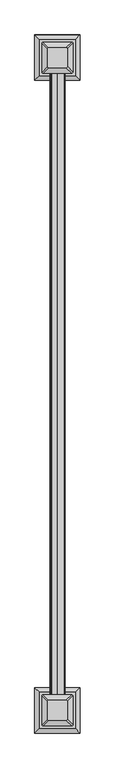
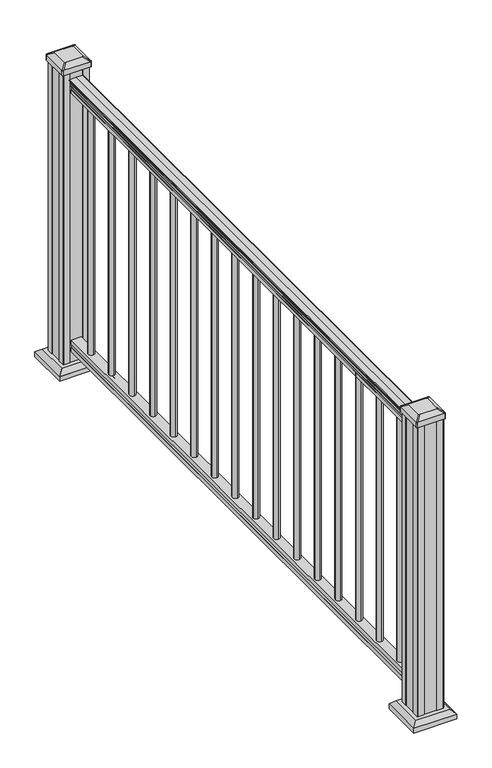
"""IFC4 building model written with IfcOpenShell, lengths in millimetres: railing geometry."""

from ifc_helpers import new_model, si_unit, point, frame, frame_2d, origin, origin_with_axes, place, context, project, spatial, polyline, circle_curve, trimmed, segment, composite_curve, outline, extrude, faceted_brep, source, transform, mapped, element, save
from ifc_brep_helpers import plane_surface, extruded_surface, advanced_brep


def railing_6631886a(model_context):
    return source(origin(), model_context, "Body", "SolidModel", [
        extrude(outline(composite_curve([segment(trimmed(circle_curve(frame_2d((938.4043297, -265.9572176)), 1.2869144), [point((938.4043297, -267.2441319))], [point((938.4043297, -264.6703032))], False, "CARTESIAN"), True, "CONTINUOUS"), segment(polyline([(938.4043297, -264.6703032), (927.747013, -264.6703032), (926.731013, -265.6863032), (914.4, -265.6863032), (914.4, -233.9363032), (926.8888283, -233.9363032), (927.9048283, -234.9523032), (938.4043297, -234.9523032)]), True, "CONTINUOUS"), segment(trimmed(circle_curve(frame_2d((938.4043297, -233.6653888)), 1.2869144), [point((938.4043297, -234.9523032))], [point((938.4043297, -232.3784745))], False, "CARTESIAN"), True, "CONTINUOUS"), segment(polyline([(938.4043297, -232.3784745), (940.292412, -232.3784745)]), True, "CONTINUOUS"), segment(trimmed(circle_curve(frame_2d((946.0506383, -238.6932277)), 8.545951), [point((940.292412, -232.3784745))], [point((941.8546695, -231.2482882))], False, "CARTESIAN"), True, "CONTINUOUS"), segment(trimmed(circle_curve(frame_2d((945.4636577, -238.2561648)), 7.882584), [point((941.8546695, -231.2482882))], [point((949.0726458, -231.2482882))], False, "CARTESIAN"), True, "CONTINUOUS"), segment(trimmed(circle_curve(frame_2d((951.3112527, -227.7428406)), 4.1592695), [point((949.0726458, -231.2482882))], [point((951.5060812, -231.8975446))], True, "CARTESIAN"), True, "CONTINUOUS"), segment(trimmed(circle_curve(frame_2d((951.2508864, -226.4555341)), 5.4479907), [point((951.5060812, -231.8975446))], [point((955.8362083, -229.3975446))], True, "CARTESIAN"), True, "CONTINUOUS"), segment(trimmed(circle_curve(frame_2d((955.833395, -227.6886925)), 1.7088543), [point((955.8362083, -229.3975446))], [point((957.5157972, -227.9882021))], True, "CARTESIAN"), True, "CONTINUOUS"), segment(trimmed(circle_curve(frame_2d((958.6205318, -229.3055926)), 1.7192895), [point((957.5157972, -227.9882021))], [point((958.6205318, -227.5863031))], False, "CARTESIAN"), True, "CONTINUOUS"), segment(polyline([(958.6205318, -227.5863031), (959.9608158, -227.5863032)]), True, "CONTINUOUS"), segment(trimmed(circle_curve(frame_2d((959.9608158, -229.1397504)), 1.5534472), [point((959.9608158, -227.5863032))], [point((961.514263, -229.1397504))], False, "CARTESIAN"), True, "CONTINUOUS"), segment(polyline([(961.514263, -229.1397504), (961.514263, -249.8113032), (961.514263, -270.482856)]), True, "CONTINUOUS"), segment(trimmed(circle_curve(frame_2d((959.9608158, -270.482856)), 1.5534472), [point((961.514263, -270.482856))], [point((959.9608158, -272.0363032))], False, "CARTESIAN"), True, "CONTINUOUS"), segment(polyline([(959.9608158, -272.0363032), (958.6205318, -272.0363032)]), True, "CONTINUOUS"), segment(trimmed(circle_curve(frame_2d((958.6205318, -270.3170138)), 1.7192895), [point((958.6205318, -272.0363032))], [point((957.5157972, -271.6344043))], False, "CARTESIAN"), True, "CONTINUOUS"), segment(trimmed(circle_curve(frame_2d((955.833395, -271.9339139)), 1.7088543), [point((957.5157972, -271.6344043))], [point((955.8362083, -270.2250618))], True, "CARTESIAN"), True, "CONTINUOUS"), segment(trimmed(circle_curve(frame_2d((951.2508864, -273.1670723)), 5.4479907), [point((955.8362083, -270.2250618))], [point((951.5060812, -267.7250618))], True, "CARTESIAN"), True, "CONTINUOUS"), segment(trimmed(circle_curve(frame_2d((951.3112527, -271.8797657)), 4.1592695), [point((951.5060812, -267.7250618))], [point((949.0726458, -268.3743182))], True, "CARTESIAN"), True, "CONTINUOUS"), segment(trimmed(circle_curve(frame_2d((945.4636577, -261.3664416)), 7.882584), [point((949.0726458, -268.3743182))], [point((941.8546695, -268.3743182))], False, "CARTESIAN"), True, "CONTINUOUS"), segment(trimmed(circle_curve(frame_2d((946.0506383, -260.9293786)), 8.545951), [point((941.8546695, -268.3743182))], [point((940.292412, -267.2441319))], False, "CARTESIAN"), True, "CONTINUOUS"), segment(polyline([(940.292412, -267.2441319), (938.4043297, -267.2441319)]), True, "CONTINUOUS")], self_intersect=False)), frame((0.0, -16296.0352933, 0.0), z_axis=(0.0, 1.0, 0.0), x_axis=(0.0, 0.0, 1.0)), (0.0, 0.0, 1.0), 1828.8),
        extrude(outline(polyline([(76.0541976, -265.7237901), (63.5, -265.7237901), (63.5, -233.9737901), (76.0375508, -233.9737901), (77.3858283, -234.9897901), (87.6975248, -234.9897901), (89.0458024, -233.9737901), (101.5958781, -233.9737901), (101.5958781, -265.7237901), (89.0624492, -265.7237901), (87.7141717, -264.7077901), (77.3546183, -264.7077901), (76.0541976, -265.7237901)])), frame((0.0, -16296.0352933, 0.0), z_axis=(0.0, 1.0, 0.0), x_axis=(0.0, 0.0, 1.0)), (0.0, 0.0, 1.0), 1828.8),
        extrude(outline(composite_curve([segment(trimmed(circle_curve(frame_2d((-249.8113032, -14548.1977933)), 9.525), [point((-259.3363032, -14548.1977933))], [point((-249.8113032, -14538.6727933))], False, "CARTESIAN"), True, "CONTINUOUS"), segment(trimmed(circle_curve(frame_2d((-249.8113032, -14548.1977933)), 9.525), [point((-249.8113032, -14538.6727933))], [point((-240.2863032, -14548.1977933))], False, "CARTESIAN"), True, "CONTINUOUS"), segment(trimmed(circle_curve(frame_2d((-249.8113032, -14548.1977933)), 9.525), [point((-240.2863032, -14548.1977933))], [point((-249.8113032, -14557.7227933))], False, "CARTESIAN"), True, "CONTINUOUS"), segment(trimmed(circle_curve(frame_2d((-249.8113032, -14548.1977933)), 9.525), [point((-249.8113032, -14557.7227933))], [point((-259.3363032, -14548.1977933))], False, "CARTESIAN"), True, "CONTINUOUS")], self_intersect=False)), frame((0.0, 0.0, 101.5958781), z_axis=(0.0, 0.0, 1.0), x_axis=(1.0, 0.0, 0.0)), (0.0, 0.0, 1.0), 812.8041219),
        extrude(outline(composite_curve([segment(trimmed(circle_curve(frame_2d((-249.8113032, -14659.3227933)), 9.525), [point((-259.3363032, -14659.3227933))], [point((-249.8113032, -14649.7977933))], False, "CARTESIAN"), True, "CONTINUOUS"), segment(trimmed(circle_curve(frame_2d((-249.8113032, -14659.3227933)), 9.525), [point((-249.8113032, -14649.7977933))], [point((-240.2863032, -14659.3227933))], False, "CARTESIAN"), True, "CONTINUOUS"), segment(trimmed(circle_curve(frame_2d((-249.8113032, -14659.3227933)), 9.525), [point((-240.2863032, -14659.3227933))], [point((-249.8113032, -14668.8477933))], False, "CARTESIAN"), True, "CONTINUOUS"), segment(trimmed(circle_curve(frame_2d((-249.8113032, -14659.3227933)), 9.525), [point((-249.8113032, -14668.8477933))], [point((-259.3363032, -14659.3227933))], False, "CARTESIAN"), True, "CONTINUOUS")], self_intersect=False)), frame((0.0, 0.0, 101.5958781), z_axis=(0.0, 0.0, 1.0), x_axis=(1.0, 0.0, 0.0)), (0.0, 0.0, 1.0), 812.8041219),
        extrude(outline(composite_curve([segment(trimmed(circle_curve(frame_2d((-249.8113032, -14770.4477933)), 9.525), [point((-259.3363032, -14770.4477933))], [point((-249.8113032, -14760.9227933))], False, "CARTESIAN"), True, "CONTINUOUS"), segment(trimmed(circle_curve(frame_2d((-249.8113032, -14770.4477933)), 9.525), [point((-249.8113032, -14760.9227933))], [point((-240.2863032, -14770.4477933))], False, "CARTESIAN"), True, "CONTINUOUS"), segment(trimmed(circle_curve(frame_2d((-249.8113032, -14770.4477933)), 9.525), [point((-240.2863032, -14770.4477933))], [point((-249.8113032, -14779.9727933))], False, "CARTESIAN"), True, "CONTINUOUS"), segment(trimmed(circle_curve(frame_2d((-249.8113032, -14770.4477933)), 9.525), [point((-249.8113032, -14779.9727933))], [point((-259.3363032, -14770.4477933))], False, "CARTESIAN"), True, "CONTINUOUS")], self_intersect=False)), frame((0.0, 0.0, 101.5958781), z_axis=(0.0, 0.0, 1.0), x_axis=(1.0, 0.0, 0.0)), (0.0, 0.0, 1.0), 812.8041219),
        extrude(outline(composite_curve([segment(trimmed(circle_curve(frame_2d((-249.8113032, -14881.5727933)), 9.525), [point((-259.3363032, -14881.5727933))], [point((-249.8113032, -14872.0477933))], False, "CARTESIAN"), True, "CONTINUOUS"), segment(trimmed(circle_curve(frame_2d((-249.8113032, -14881.5727933)), 9.525), [point((-249.8113032, -14872.0477933))], [point((-240.2863032, -14881.5727933))], False, "CARTESIAN"), True, "CONTINUOUS"), segment(trimmed(circle_curve(frame_2d((-249.8113032, -14881.5727933)), 9.525), [point((-240.2863032, -14881.5727933))], [point((-249.8113032, -14891.0977933))], False, "CARTESIAN"), True, "CONTINUOUS"), segment(trimmed(circle_curve(frame_2d((-249.8113032, -14881.5727933)), 9.525), [point((-249.8113032, -14891.0977933))], [point((-259.3363032, -14881.5727933))], False, "CARTESIAN"), True, "CONTINUOUS")], self_intersect=False)), frame((0.0, 0.0, 101.5958781), z_axis=(0.0, 0.0, 1.0), x_axis=(1.0, 0.0, 0.0)), (0.0, 0.0, 1.0), 812.8041219),
        extrude(outline(composite_curve([segment(trimmed(circle_curve(frame_2d((-249.8113032, -14992.6977933)), 9.525), [point((-259.3363032, -14992.6977933))], [point((-249.8113032, -14983.1727933))], False, "CARTESIAN"), True, "CONTINUOUS"), segment(trimmed(circle_curve(frame_2d((-249.8113032, -14992.6977933)), 9.525), [point((-249.8113032, -14983.1727933))], [point((-240.2863032, -14992.6977933))], False, "CARTESIAN"), True, "CONTINUOUS"), segment(trimmed(circle_curve(frame_2d((-249.8113032, -14992.6977933)), 9.525), [point((-240.2863032, -14992.6977933))], [point((-249.8113032, -15002.2227933))], False, "CARTESIAN"), True, "CONTINUOUS"), segment(trimmed(circle_curve(frame_2d((-249.8113032, -14992.6977933)), 9.525), [point((-249.8113032, -15002.2227933))], [point((-259.3363032, -14992.6977933))], False, "CARTESIAN"), True, "CONTINUOUS")], self_intersect=False)), frame((0.0, 0.0, 101.5958781), z_axis=(0.0, 0.0, 1.0), x_axis=(1.0, 0.0, 0.0)), (0.0, 0.0, 1.0), 812.8041219),
        extrude(outline(composite_curve([segment(trimmed(circle_curve(frame_2d((-249.8113032, -15103.8227933)), 9.525), [point((-259.3363032, -15103.8227933))], [point((-249.8113032, -15094.2977933))], False, "CARTESIAN"), True, "CONTINUOUS"), segment(trimmed(circle_curve(frame_2d((-249.8113032, -15103.8227933)), 9.525), [point((-249.8113032, -15094.2977933))], [point((-240.2863032, -15103.8227933))], False, "CARTESIAN"), True, "CONTINUOUS"), segment(trimmed(circle_curve(frame_2d((-249.8113032, -15103.8227933)), 9.525), [point((-240.2863032, -15103.8227933))], [point((-249.8113032, -15113.3477933))], False, "CARTESIAN"), True, "CONTINUOUS"), segment(trimmed(circle_curve(frame_2d((-249.8113032, -15103.8227933)), 9.525), [point((-249.8113032, -15113.3477933))], [point((-259.3363032, -15103.8227933))], False, "CARTESIAN"), True, "CONTINUOUS")], self_intersect=False)), frame((0.0, 0.0, 101.5958781), z_axis=(0.0, 0.0, 1.0), x_axis=(1.0, 0.0, 0.0)), (0.0, 0.0, 1.0), 812.8041219),
        extrude(outline(composite_curve([segment(trimmed(circle_curve(frame_2d((-249.8113032, -15214.9477933)), 9.525), [point((-259.3363032, -15214.9477933))], [point((-249.8113032, -15205.4227933))], False, "CARTESIAN"), True, "CONTINUOUS"), segment(trimmed(circle_curve(frame_2d((-249.8113032, -15214.9477933)), 9.525), [point((-249.8113032, -15205.4227933))], [point((-240.2863032, -15214.9477933))], False, "CARTESIAN"), True, "CONTINUOUS"), segment(trimmed(circle_curve(frame_2d((-249.8113032, -15214.9477933)), 9.525), [point((-240.2863032, -15214.9477933))], [point((-249.8113032, -15224.4727933))], False, "CARTESIAN"), True, "CONTINUOUS"), segment(trimmed(circle_curve(frame_2d((-249.8113032, -15214.9477933)), 9.525), [point((-249.8113032, -15224.4727933))], [point((-259.3363032, -15214.9477933))], False, "CARTESIAN"), True, "CONTINUOUS")], self_intersect=False)), frame((0.0, 0.0, 101.5958781), z_axis=(0.0, 0.0, 1.0), x_axis=(1.0, 0.0, 0.0)), (0.0, 0.0, 1.0), 812.8041219),
        extrude(outline(composite_curve([segment(trimmed(circle_curve(frame_2d((-249.8113032, -15326.0727933)), 9.525), [point((-259.3363032, -15326.0727933))], [point((-249.8113032, -15316.5477933))], False, "CARTESIAN"), True, "CONTINUOUS"), segment(trimmed(circle_curve(frame_2d((-249.8113032, -15326.0727933)), 9.525), [point((-249.8113032, -15316.5477933))], [point((-240.2863032, -15326.0727933))], False, "CARTESIAN"), True, "CONTINUOUS"), segment(trimmed(circle_curve(frame_2d((-249.8113032, -15326.0727933)), 9.525), [point((-240.2863032, -15326.0727933))], [point((-249.8113032, -15335.5977933))], False, "CARTESIAN"), True, "CONTINUOUS"), segment(trimmed(circle_curve(frame_2d((-249.8113032, -15326.0727933)), 9.525), [point((-249.8113032, -15335.5977933))], [point((-259.3363032, -15326.0727933))], False, "CARTESIAN"), True, "CONTINUOUS")], self_intersect=False)), frame((0.0, 0.0, 101.5958781), z_axis=(0.0, 0.0, 1.0), x_axis=(1.0, 0.0, 0.0)), (0.0, 0.0, 1.0), 812.8041219),
        extrude(outline(composite_curve([segment(trimmed(circle_curve(frame_2d((-249.8113032, -15437.1977933)), 9.525), [point((-259.3363032, -15437.1977933))], [point((-249.8113032, -15427.6727933))], False, "CARTESIAN"), True, "CONTINUOUS"), segment(trimmed(circle_curve(frame_2d((-249.8113032, -15437.1977933)), 9.525), [point((-249.8113032, -15427.6727933))], [point((-240.2863032, -15437.1977933))], False, "CARTESIAN"), True, "CONTINUOUS"), segment(trimmed(circle_curve(frame_2d((-249.8113032, -15437.1977933)), 9.525), [point((-240.2863032, -15437.1977933))], [point((-249.8113032, -15446.7227933))], False, "CARTESIAN"), True, "CONTINUOUS"), segment(trimmed(circle_curve(frame_2d((-249.8113032, -15437.1977933)), 9.525), [point((-249.8113032, -15446.7227933))], [point((-259.3363032, -15437.1977933))], False, "CARTESIAN"), True, "CONTINUOUS")], self_intersect=False)), frame((0.0, 0.0, 101.5958781), z_axis=(0.0, 0.0, 1.0), x_axis=(1.0, 0.0, 0.0)), (0.0, 0.0, 1.0), 812.8041219),
        extrude(outline(composite_curve([segment(trimmed(circle_curve(frame_2d((-249.8113032, -15548.3227933)), 9.525), [point((-259.3363032, -15548.3227933))], [point((-249.8113032, -15538.7977933))], False, "CARTESIAN"), True, "CONTINUOUS"), segment(trimmed(circle_curve(frame_2d((-249.8113032, -15548.3227933)), 9.525), [point((-249.8113032, -15538.7977933))], [point((-240.2863032, -15548.3227933))], False, "CARTESIAN"), True, "CONTINUOUS"), segment(trimmed(circle_curve(frame_2d((-249.8113032, -15548.3227933)), 9.525), [point((-240.2863032, -15548.3227933))], [point((-249.8113032, -15557.8477933))], False, "CARTESIAN"), True, "CONTINUOUS"), segment(trimmed(circle_curve(frame_2d((-249.8113032, -15548.3227933)), 9.525), [point((-249.8113032, -15557.8477933))], [point((-259.3363032, -15548.3227933))], False, "CARTESIAN"), True, "CONTINUOUS")], self_intersect=False)), frame((0.0, 0.0, 101.5958781), z_axis=(0.0, 0.0, 1.0), x_axis=(1.0, 0.0, 0.0)), (0.0, 0.0, 1.0), 812.8041219),
        extrude(outline(composite_curve([segment(trimmed(circle_curve(frame_2d((-249.8113032, -15659.4477933)), 9.525), [point((-259.3363032, -15659.4477933))], [point((-249.8113032, -15649.9227933))], False, "CARTESIAN"), True, "CONTINUOUS"), segment(trimmed(circle_curve(frame_2d((-249.8113032, -15659.4477933)), 9.525), [point((-249.8113032, -15649.9227933))], [point((-240.2863032, -15659.4477933))], False, "CARTESIAN"), True, "CONTINUOUS"), segment(trimmed(circle_curve(frame_2d((-249.8113032, -15659.4477933)), 9.525), [point((-240.2863032, -15659.4477933))], [point((-249.8113032, -15668.9727933))], False, "CARTESIAN"), True, "CONTINUOUS"), segment(trimmed(circle_curve(frame_2d((-249.8113032, -15659.4477933)), 9.525), [point((-249.8113032, -15668.9727933))], [point((-259.3363032, -15659.4477933))], False, "CARTESIAN"), True, "CONTINUOUS")], self_intersect=False)), frame((0.0, 0.0, 101.5958781), z_axis=(0.0, 0.0, 1.0), x_axis=(1.0, 0.0, 0.0)), (0.0, 0.0, 1.0), 812.8041219),
        extrude(outline(composite_curve([segment(trimmed(circle_curve(frame_2d((-249.8113032, -15770.5727933)), 9.525), [point((-259.3363032, -15770.5727933))], [point((-249.8113032, -15761.0477933))], False, "CARTESIAN"), True, "CONTINUOUS"), segment(trimmed(circle_curve(frame_2d((-249.8113032, -15770.5727933)), 9.525), [point((-249.8113032, -15761.0477933))], [point((-240.2863032, -15770.5727933))], False, "CARTESIAN"), True, "CONTINUOUS"), segment(trimmed(circle_curve(frame_2d((-249.8113032, -15770.5727933)), 9.525), [point((-240.2863032, -15770.5727933))], [point((-249.8113032, -15780.0977933))], False, "CARTESIAN"), True, "CONTINUOUS"), segment(trimmed(circle_curve(frame_2d((-249.8113032, -15770.5727933)), 9.525), [point((-249.8113032, -15780.0977933))], [point((-259.3363032, -15770.5727933))], False, "CARTESIAN"), True, "CONTINUOUS")], self_intersect=False)), frame((0.0, 0.0, 101.5958781), z_axis=(0.0, 0.0, 1.0), x_axis=(1.0, 0.0, 0.0)), (0.0, 0.0, 1.0), 812.8041219),
        extrude(outline(composite_curve([segment(trimmed(circle_curve(frame_2d((-249.8113032, -15881.6977933)), 9.525), [point((-259.3363032, -15881.6977933))], [point((-249.8113032, -15872.1727933))], False, "CARTESIAN"), True, "CONTINUOUS"), segment(trimmed(circle_curve(frame_2d((-249.8113032, -15881.6977933)), 9.525), [point((-249.8113032, -15872.1727933))], [point((-240.2863032, -15881.6977933))], False, "CARTESIAN"), True, "CONTINUOUS"), segment(trimmed(circle_curve(frame_2d((-249.8113032, -15881.6977933)), 9.525), [point((-240.2863032, -15881.6977933))], [point((-249.8113032, -15891.2227933))], False, "CARTESIAN"), True, "CONTINUOUS"), segment(trimmed(circle_curve(frame_2d((-249.8113032, -15881.6977933)), 9.525), [point((-249.8113032, -15891.2227933))], [point((-259.3363032, -15881.6977933))], False, "CARTESIAN"), True, "CONTINUOUS")], self_intersect=False)), frame((0.0, 0.0, 101.5958781), z_axis=(0.0, 0.0, 1.0), x_axis=(1.0, 0.0, 0.0)), (0.0, 0.0, 1.0), 812.8041219),
        extrude(outline(composite_curve([segment(trimmed(circle_curve(frame_2d((-249.8113032, -15992.8227933)), 9.525), [point((-259.3363032, -15992.8227933))], [point((-249.8113032, -15983.2977933))], False, "CARTESIAN"), True, "CONTINUOUS"), segment(trimmed(circle_curve(frame_2d((-249.8113032, -15992.8227933)), 9.525), [point((-249.8113032, -15983.2977933))], [point((-240.2863032, -15992.8227933))], False, "CARTESIAN"), True, "CONTINUOUS"), segment(trimmed(circle_curve(frame_2d((-249.8113032, -15992.8227933)), 9.525), [point((-240.2863032, -15992.8227933))], [point((-249.8113032, -16002.3477933))], False, "CARTESIAN"), True, "CONTINUOUS"), segment(trimmed(circle_curve(frame_2d((-249.8113032, -15992.8227933)), 9.525), [point((-249.8113032, -16002.3477933))], [point((-259.3363032, -15992.8227933))], False, "CARTESIAN"), True, "CONTINUOUS")], self_intersect=False)), frame((0.0, 0.0, 101.5958781), z_axis=(0.0, 0.0, 1.0), x_axis=(1.0, 0.0, 0.0)), (0.0, 0.0, 1.0), 812.8041219),
        extrude(outline(composite_curve([segment(trimmed(circle_curve(frame_2d((-249.8113032, -16103.9477933)), 9.525), [point((-259.3363032, -16103.9477933))], [point((-249.8113032, -16094.4227933))], False, "CARTESIAN"), True, "CONTINUOUS"), segment(trimmed(circle_curve(frame_2d((-249.8113032, -16103.9477933)), 9.525), [point((-249.8113032, -16094.4227933))], [point((-240.2863032, -16103.9477933))], False, "CARTESIAN"), True, "CONTINUOUS"), segment(trimmed(circle_curve(frame_2d((-249.8113032, -16103.9477933)), 9.525), [point((-240.2863032, -16103.9477933))], [point((-249.8113032, -16113.4727933))], False, "CARTESIAN"), True, "CONTINUOUS"), segment(trimmed(circle_curve(frame_2d((-249.8113032, -16103.9477933)), 9.525), [point((-249.8113032, -16113.4727933))], [point((-259.3363032, -16103.9477933))], False, "CARTESIAN"), True, "CONTINUOUS")], self_intersect=False)), frame((0.0, 0.0, 101.5958781), z_axis=(0.0, 0.0, 1.0), x_axis=(1.0, 0.0, 0.0)), (0.0, 0.0, 1.0), 812.8041219),
        extrude(outline(composite_curve([segment(trimmed(circle_curve(frame_2d((-249.8113032, -16215.0727933)), 9.525), [point((-259.3363032, -16215.0727933))], [point((-249.8113032, -16205.5477933))], False, "CARTESIAN"), True, "CONTINUOUS"), segment(trimmed(circle_curve(frame_2d((-249.8113032, -16215.0727933)), 9.525), [point((-249.8113032, -16205.5477933))], [point((-240.2863032, -16215.0727933))], False, "CARTESIAN"), True, "CONTINUOUS"), segment(trimmed(circle_curve(frame_2d((-249.8113032, -16215.0727933)), 9.525), [point((-240.2863032, -16215.0727933))], [point((-249.8113032, -16224.5977933))], False, "CARTESIAN"), True, "CONTINUOUS"), segment(trimmed(circle_curve(frame_2d((-249.8113032, -16215.0727933)), 9.525), [point((-249.8113032, -16224.5977933))], [point((-259.3363032, -16215.0727933))], False, "CARTESIAN"), True, "CONTINUOUS")], self_intersect=False)), frame((0.0, 0.0, 101.5958781), z_axis=(0.0, 0.0, 1.0), x_axis=(1.0, 0.0, 0.0)), (0.0, 0.0, 1.0), 812.8041219),
        faceted_brep([(-302.3972407, -14478.5462308, 28.575), (-197.2253657, -14478.5462308, 28.575), (-197.2253657, -14373.3743558, 28.575), (-302.3972407, -14373.3743558, 28.575), (-316.4366938, -14492.5856839, 15.24), (-316.4366938, -14359.3349026, 15.24), (-183.1859126, -14359.3349026, 15.24), (-183.1859126, -14492.5856839, 15.24)], [[[0, 1, 2, 3]], [[4, 5, 6, 7]], [[4, 7, 1, 0]], [[7, 6, 2, 1]], [[6, 5, 3, 2]], [[5, 4, 0, 3]]]),
        extrude(outline(polyline([(-316.4366938, -14492.5856839), (-316.4366938, -14359.3349026), (-183.1859126, -14359.3349026), (-183.1859126, -14492.5856839), (-316.4366938, -14492.5856839)])), origin_with_axes(), (0.0, 0.0, 1.0), 15.24),
        advanced_brep(
        [(-224.0144282, -14454.9321683, 1012.825), (-220.8394282, -14451.7571683, 1012.825), (-220.8394282, -14400.1634183, 1012.825), (-224.0144282, -14396.9884183, 1012.825), (-275.6081782, -14396.9884183, 1012.825), (-278.7831782, -14400.1634183, 1012.825), (-278.7831782, -14451.7571683, 1012.825), (-275.6081782, -14454.9321683, 1012.825), (-207.7425532, -14471.2040433, 1001.522), (-291.8800532, -14471.2040433, 1001.522), (-295.0550532, -14468.0290433, 1001.522), (-295.0550532, -14383.8915433, 1001.522), (-291.8800532, -14380.7165433, 1001.522), (-207.7425532, -14380.7165433, 1001.522), (-204.5675532, -14383.8915433, 1001.522), (-204.5675532, -14468.0290433, 1001.522)],
        [
            (0, 1, circle_curve(frame((-224.0144282, -14451.7571683, 1012.825), z_axis=(0.0, 0.0, 1.0), x_axis=(0.0, 1.0, 0.0)), 3.175)),
            (1, 2),
            (2, 3, circle_curve(frame((-224.0144282, -14400.1634183, 1012.825), z_axis=(0.0, 0.0, 1.0), x_axis=(0.0, 1.0, 0.0)), 3.175)),
            (3, 4),
            (4, 5, circle_curve(frame((-275.6081782, -14400.1634183, 1012.825), z_axis=(0.0, 0.0, 1.0), x_axis=(0.0, 1.0, 0.0)), 3.175)),
            (5, 6),
            (6, 7, circle_curve(frame((-275.6081782, -14451.7571683, 1012.825), z_axis=(0.0, 0.0, 1.0), x_axis=(0.0, 1.0, 0.0)), 3.175)),
            (7, 0),
            (8, 9),
            (9, 10, circle_curve(frame((-291.8800532, -14468.0290433, 1001.522), z_axis=(0.0, 0.0, -1.0), x_axis=(0.0, 1.0, 0.0)), 3.175)),
            (10, 11),
            (11, 12, circle_curve(frame((-291.8800532, -14383.8915433, 1001.522), z_axis=(0.0, 0.0, -1.0), x_axis=(0.0, 1.0, 0.0)), 3.175)),
            (12, 13),
            (13, 14, circle_curve(frame((-207.7425532, -14383.8915433, 1001.522), z_axis=(0.0, 0.0, -1.0), x_axis=(0.0, 1.0, 0.0)), 3.175)),
            (14, 15),
            (15, 8, circle_curve(frame((-207.7425532, -14468.0290433, 1001.522), z_axis=(0.0, 0.0, -1.0), x_axis=(0.0, 1.0, 0.0)), 3.175)),
            (15, 1),
            (0, 8),
            (14, 2),
            (13, 3),
            (12, 4),
            (11, 5),
            (10, 6),
            (9, 7),
        ],
        [
            plane_surface(frame((-249.8113032, -14425.9602933, 1012.825), z_axis=(0.0, 0.0, 1.0), x_axis=(1.0, 0.0, 0.0))),
            plane_surface(frame((-249.8113032, -14425.9602933, 1001.522), z_axis=(0.0, 0.0, -1.0), x_axis=(1.0, 0.0, 0.0))),
            extruded_surface(trimmed(circle_curve(frame((-207.7425532, -14468.0290433, 1001.522), z_axis=(0.0, 0.0, 1.0), x_axis=(0.0, 1.0, 0.0)), 3.175), [point((-207.7425532, -14471.2040433, 1001.522))], [point((-204.5675532, -14468.0290433, 1001.522))], True, "CARTESIAN"), (-16.271874999999994, 16.271874999998545, 11.302999999999997), 25.637972638865236),
            plane_surface(frame((-204.5675532, -14425.9602933, 1001.522), z_axis=(0.5705009161540779, 0.0, 0.8212969649690408), x_axis=(0.0, 1.0, 0.0))),
            extruded_surface(trimmed(circle_curve(frame((-207.7425532, -14383.8915433, 1001.522), z_axis=(0.0, 0.0, 1.0), x_axis=(0.0, 1.0, 0.0)), 3.175), [point((-204.5675532, -14383.8915433, 1001.522))], [point((-207.7425532, -14380.7165433, 1001.522))], True, "CARTESIAN"), (-16.271874999999994, -16.271875000000364, 11.302999999999997), 25.637972638866387),
            plane_surface(frame((-249.8113032, -14380.7165433, 1001.522), z_axis=(0.0, 0.5705009161540291, 0.8212969649690747), x_axis=(-1.0, 0.0, 0.0))),
            extruded_surface(trimmed(circle_curve(frame((-291.8800532, -14383.8915433, 1001.522), z_axis=(0.0, 0.0, 1.0), x_axis=(0.0, 1.0, 0.0)), 3.175), [point((-291.8800532, -14380.7165433, 1001.522))], [point((-295.0550532, -14383.8915433, 1001.522))], True, "CARTESIAN"), (16.271875000000023, -16.271875000000364, 11.302999999999997), 25.637972638866405),
            plane_surface(frame((-295.0550532, -14425.9602933, 1001.522), z_axis=(-0.5705009161540141, 0.0, 0.8212969649690851), x_axis=(0.0, -1.0, 0.0))),
            extruded_surface(trimmed(circle_curve(frame((-291.8800532, -14468.0290433, 1001.522), z_axis=(0.0, 0.0, 1.0), x_axis=(0.0, 1.0, 0.0)), 3.175), [point((-295.0550532, -14468.0290433, 1001.522))], [point((-291.8800532, -14471.2040433, 1001.522))], True, "CARTESIAN"), (16.271875000000023, 16.271874999998545, 11.302999999999997), 25.637972638865254),
            plane_surface(frame((-249.8113032, -14471.2040433, 1001.522), z_axis=(0.0, -0.570500916154034, 0.8212969649690713), x_axis=(1.0, 0.0, 0.0))),
        ],
        [
            (0, [[1, 2, 3, 4, 5, 6, 7, 8]]),
            (1, [[9, 10, 11, 12, 13, 14, 15, 16]]),
            (2, [[-16, 17, -1, 18]]),
            (3, [[-15, 19, -2, -17]]),
            (4, [[-14, 20, -3, -19]]),
            (5, [[-13, 21, -4, -20]]),
            (6, [[-12, 22, -5, -21]]),
            (7, [[-11, 23, -6, -22]]),
            (8, [[-10, 24, -7, -23]]),
            (9, [[-9, -18, -8, -24]]),
        ],
    ),
        extrude(outline(composite_curve([segment(polyline([(-207.7425532, -14471.2040433), (-291.8800532, -14471.2040433)]), True, "CONTINUOUS"), segment(trimmed(circle_curve(frame_2d((-291.8800532, -14468.0290433)), 3.175), [point((-291.8800532, -14471.2040433))], [point((-295.0550532, -14468.0290433))], False, "CARTESIAN"), True, "CONTINUOUS"), segment(polyline([(-295.0550532, -14468.0290433), (-295.0550532, -14383.8915433)]), True, "CONTINUOUS"), segment(trimmed(circle_curve(frame_2d((-291.8800532, -14383.8915433)), 3.175), [point((-295.0550532, -14383.8915433))], [point((-291.8800532, -14380.7165433))], False, "CARTESIAN"), True, "CONTINUOUS"), segment(polyline([(-291.8800532, -14380.7165433), (-207.7425532, -14380.7165433)]), True, "CONTINUOUS"), segment(trimmed(circle_curve(frame_2d((-207.7425532, -14383.8915433)), 3.175), [point((-207.7425532, -14380.7165433))], [point((-204.5675532, -14383.8915433))], False, "CARTESIAN"), True, "CONTINUOUS"), segment(polyline([(-204.5675532, -14383.8915433), (-204.5675532, -14468.0290433)]), True, "CONTINUOUS"), segment(trimmed(circle_curve(frame_2d((-207.7425532, -14468.0290433)), 3.175), [point((-204.5675532, -14468.0290433))], [point((-207.7425532, -14471.2040433))], False, "CARTESIAN"), True, "CONTINUOUS")], self_intersect=False)), frame((0.0, 0.0, 984.25), z_axis=(0.0, 0.0, 1.0), x_axis=(1.0, 0.0, 0.0)), (0.0, 0.0, 1.0), 17.272),
        extrude(outline(polyline([(-210.1238032, -14467.2352933), (-229.7453032, -14467.2352933), (-230.5073032, -14465.6477933), (-269.1153032, -14465.6477933), (-269.8773032, -14467.2352933), (-289.4988032, -14467.2352933), (-291.0863032, -14465.6477933), (-291.0863032, -14446.0262933), (-289.4988032, -14445.2642933), (-289.4988032, -14406.6562933), (-291.0863032, -14405.8942933), (-291.0863032, -14386.2727933), (-289.4988032, -14384.6852933), (-269.8773032, -14384.6852933), (-269.1153032, -14386.2727933), (-230.5073032, -14386.2727933), (-229.7453032, -14384.6852933), (-210.1238032, -14384.6852933), (-208.5363032, -14386.2727933), (-208.5363032, -14405.8942933), (-210.1238032, -14406.6562933), (-210.1238032, -14445.2642933), (-208.5363032, -14446.0262933), (-208.5363032, -14465.6477933), (-210.1238032, -14467.2352933)])), origin_with_axes(), (0.0, 0.0, 1.0), 984.25),
        faceted_brep([(-302.3972407, -16389.8962308, 28.575), (-197.2253657, -16389.8962308, 28.575), (-197.2253657, -16284.7243558, 28.575), (-302.3972407, -16284.7243558, 28.575), (-316.4366938, -16403.9356839, 15.24), (-316.4366938, -16270.6849026, 15.24), (-183.1859126, -16270.6849026, 15.24), (-183.1859126, -16403.9356839, 15.24)], [[[0, 1, 2, 3]], [[4, 5, 6, 7]], [[4, 7, 1, 0]], [[7, 6, 2, 1]], [[6, 5, 3, 2]], [[5, 4, 0, 3]]]),
        extrude(outline(polyline([(-316.4366938, -16403.9356839), (-316.4366938, -16270.6849026), (-183.1859126, -16270.6849026), (-183.1859126, -16403.9356839), (-316.4366938, -16403.9356839)])), origin_with_axes(), (0.0, 0.0, 1.0), 15.24),
        advanced_brep(
        [(-224.0144282, -16366.2821683, 1012.825), (-220.8394282, -16363.1071683, 1012.825), (-220.8394282, -16311.5134183, 1012.825), (-224.0144282, -16308.3384183, 1012.825), (-275.6081782, -16308.3384183, 1012.825), (-278.7831782, -16311.5134183, 1012.825), (-278.7831782, -16363.1071683, 1012.825), (-275.6081782, -16366.2821683, 1012.825), (-207.7425532, -16382.5540433, 1001.522), (-291.8800532, -16382.5540433, 1001.522), (-295.0550532, -16379.3790433, 1001.522), (-295.0550532, -16295.2415433, 1001.522), (-291.8800532, -16292.0665433, 1001.522), (-207.7425532, -16292.0665433, 1001.522), (-204.5675532, -16295.2415433, 1001.522), (-204.5675532, -16379.3790433, 1001.522)],
        [
            (0, 1, circle_curve(frame((-224.0144282, -16363.1071683, 1012.825), z_axis=(0.0, 0.0, 1.0), x_axis=(0.0, 1.0, 0.0)), 3.175)),
            (1, 2),
            (2, 3, circle_curve(frame((-224.0144282, -16311.5134183, 1012.825), z_axis=(0.0, 0.0, 1.0), x_axis=(0.0, 1.0, 0.0)), 3.175)),
            (3, 4),
            (4, 5, circle_curve(frame((-275.6081782, -16311.5134183, 1012.825), z_axis=(0.0, 0.0, 1.0), x_axis=(0.0, 1.0, 0.0)), 3.175)),
            (5, 6),
            (6, 7, circle_curve(frame((-275.6081782, -16363.1071683, 1012.825), z_axis=(0.0, 0.0, 1.0), x_axis=(0.0, 1.0, 0.0)), 3.175)),
            (7, 0),
            (8, 9),
            (9, 10, circle_curve(frame((-291.8800532, -16379.3790433, 1001.522), z_axis=(0.0, 0.0, -1.0), x_axis=(0.0, 1.0, 0.0)), 3.175)),
            (10, 11),
            (11, 12, circle_curve(frame((-291.8800532, -16295.2415433, 1001.522), z_axis=(0.0, 0.0, -1.0), x_axis=(0.0, 1.0, 0.0)), 3.175)),
            (12, 13),
            (13, 14, circle_curve(frame((-207.7425532, -16295.2415433, 1001.522), z_axis=(0.0, 0.0, -1.0), x_axis=(0.0, 1.0, 0.0)), 3.175)),
            (14, 15),
            (15, 8, circle_curve(frame((-207.7425532, -16379.3790433, 1001.522), z_axis=(0.0, 0.0, -1.0), x_axis=(0.0, 1.0, 0.0)), 3.175)),
            (15, 1),
            (0, 8),
            (14, 2),
            (13, 3),
            (12, 4),
            (11, 5),
            (10, 6),
            (9, 7),
        ],
        [
            plane_surface(frame((-249.8113032, -16337.3102933, 1012.825), z_axis=(0.0, 0.0, 1.0), x_axis=(1.0, 0.0, 0.0))),
            plane_surface(frame((-249.8113032, -16337.3102933, 1001.522), z_axis=(0.0, 0.0, -1.0), x_axis=(1.0, 0.0, 0.0))),
            extruded_surface(trimmed(circle_curve(frame((-207.7425532, -16379.3790433, 1001.522), z_axis=(0.0, 0.0, 1.0), x_axis=(0.0, 1.0, 0.0)), 3.175), [point((-207.7425532, -16382.5540433, 1001.522))], [point((-204.5675532, -16379.3790433, 1001.522))], True, "CARTESIAN"), (-16.271874999999994, 16.271875000000364, 11.302999999999997), 25.637972638866387),
            plane_surface(frame((-204.5675532, -16337.3102933, 1001.522), z_axis=(0.5705009161540779, 0.0, 0.8212969649690408), x_axis=(0.0, 1.0, 0.0))),
            extruded_surface(trimmed(circle_curve(frame((-207.7425532, -16295.2415433, 1001.522), z_axis=(0.0, 0.0, 1.0), x_axis=(0.0, 1.0, 0.0)), 3.175), [point((-204.5675532, -16295.2415433, 1001.522))], [point((-207.7425532, -16292.0665433, 1001.522))], True, "CARTESIAN"), (-16.271874999999994, -16.271874999998545, 11.302999999999997), 25.637972638865236),
            plane_surface(frame((-249.8113032, -16292.0665433, 1001.522), z_axis=(0.0, 0.5705009161540291, 0.8212969649690747), x_axis=(-1.0, 0.0, 0.0))),
            extruded_surface(trimmed(circle_curve(frame((-291.8800532, -16295.2415433, 1001.522), z_axis=(0.0, 0.0, 1.0), x_axis=(0.0, 1.0, 0.0)), 3.175), [point((-291.8800532, -16292.0665433, 1001.522))], [point((-295.0550532, -16295.2415433, 1001.522))], True, "CARTESIAN"), (16.271875000000023, -16.271874999998545, 11.302999999999997), 25.637972638865254),
            plane_surface(frame((-295.0550532, -16337.3102933, 1001.522), z_axis=(-0.5705009161540141, 0.0, 0.8212969649690851), x_axis=(0.0, -1.0, 0.0))),
            extruded_surface(trimmed(circle_curve(frame((-291.8800532, -16379.3790433, 1001.522), z_axis=(0.0, 0.0, 1.0), x_axis=(0.0, 1.0, 0.0)), 3.175), [point((-295.0550532, -16379.3790433, 1001.522))], [point((-291.8800532, -16382.5540433, 1001.522))], True, "CARTESIAN"), (16.271875000000023, 16.271875000000364, 11.302999999999997), 25.637972638866405),
            plane_surface(frame((-249.8113032, -16382.5540433, 1001.522), z_axis=(0.0, -0.570500916154034, 0.8212969649690713), x_axis=(1.0, 0.0, 0.0))),
        ],
        [
            (0, [[1, 2, 3, 4, 5, 6, 7, 8]]),
            (1, [[9, 10, 11, 12, 13, 14, 15, 16]]),
            (2, [[-16, 17, -1, 18]]),
            (3, [[-15, 19, -2, -17]]),
            (4, [[-14, 20, -3, -19]]),
            (5, [[-13, 21, -4, -20]]),
            (6, [[-12, 22, -5, -21]]),
            (7, [[-11, 23, -6, -22]]),
            (8, [[-10, 24, -7, -23]]),
            (9, [[-9, -18, -8, -24]]),
        ],
    ),
        extrude(outline(composite_curve([segment(polyline([(-207.7425532, -16382.5540433), (-291.8800532, -16382.5540433)]), True, "CONTINUOUS"), segment(trimmed(circle_curve(frame_2d((-291.8800532, -16379.3790433)), 3.175), [point((-291.8800532, -16382.5540433))], [point((-295.0550532, -16379.3790433))], False, "CARTESIAN"), True, "CONTINUOUS"), segment(polyline([(-295.0550532, -16379.3790433), (-295.0550532, -16295.2415433)]), True, "CONTINUOUS"), segment(trimmed(circle_curve(frame_2d((-291.8800532, -16295.2415433)), 3.175), [point((-295.0550532, -16295.2415433))], [point((-291.8800532, -16292.0665433))], False, "CARTESIAN"), True, "CONTINUOUS"), segment(polyline([(-291.8800532, -16292.0665433), (-207.7425532, -16292.0665433)]), True, "CONTINUOUS"), segment(trimmed(circle_curve(frame_2d((-207.7425532, -16295.2415433)), 3.175), [point((-207.7425532, -16292.0665433))], [point((-204.5675532, -16295.2415433))], False, "CARTESIAN"), True, "CONTINUOUS"), segment(polyline([(-204.5675532, -16295.2415433), (-204.5675532, -16379.3790433)]), True, "CONTINUOUS"), segment(trimmed(circle_curve(frame_2d((-207.7425532, -16379.3790433)), 3.175), [point((-204.5675532, -16379.3790433))], [point((-207.7425532, -16382.5540433))], False, "CARTESIAN"), True, "CONTINUOUS")], self_intersect=False)), frame((0.0, 0.0, 984.25), z_axis=(0.0, 0.0, 1.0), x_axis=(1.0, 0.0, 0.0)), (0.0, 0.0, 1.0), 17.272),
        extrude(outline(polyline([(-210.1238032, -16378.5852933), (-229.7453032, -16378.5852933), (-230.5073032, -16376.9977933), (-269.1153032, -16376.9977933), (-269.8773032, -16378.5852933), (-289.4988032, -16378.5852933), (-291.0863032, -16376.9977933), (-291.0863032, -16357.3762933), (-289.4988032, -16356.6142933), (-289.4988032, -16318.0062933), (-291.0863032, -16317.2442933), (-291.0863032, -16297.6227933), (-289.4988032, -16296.0352933), (-269.8773032, -16296.0352933), (-269.1153032, -16297.6227933), (-230.5073032, -16297.6227933), (-229.7453032, -16296.0352933), (-210.1238032, -16296.0352933), (-208.5363032, -16297.6227933), (-208.5363032, -16317.2442933), (-210.1238032, -16318.0062933), (-210.1238032, -16356.6142933), (-208.5363032, -16357.3762933), (-208.5363032, -16376.9977933), (-210.1238032, -16378.5852933)])), origin_with_axes(), (0.0, 0.0, 1.0), 984.25),
    ])


if __name__ == "__main__":
    model = new_model("IFC4")
    model_context = context("Model", 3, world=origin())
    ifc_project = project(units=[si_unit("LENGTHUNIT", "METRE", prefix="MILLI")], contexts=[model_context])
    site = spatial("IfcSite", under=ifc_project)
    building = spatial("IfcBuilding", under=site)
    placement = place(None, origin())
    railing_shape = railing_6631886a(model_context)
    element("IfcRailing", 1, at=placement, inside=building, context=model_context, shape_type="MappedRepresentation", body=[
        mapped(railing_shape, transform((0.0, 0.0, 0.0), x_axis=(1.0, 0.0, 0.0), y_axis=(0.0, 1.0, 0.0), z_axis=(0.0, 0.0, 1.0))),
    ])
    save(model, "model.ifc")
